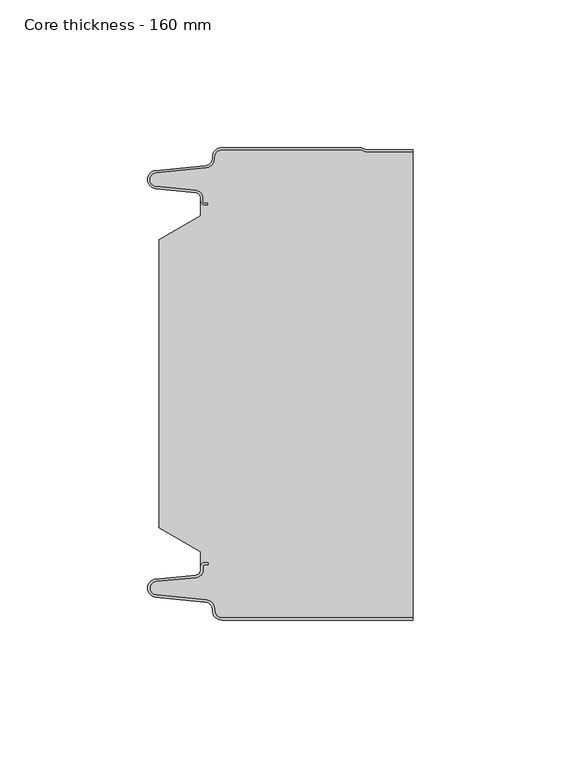
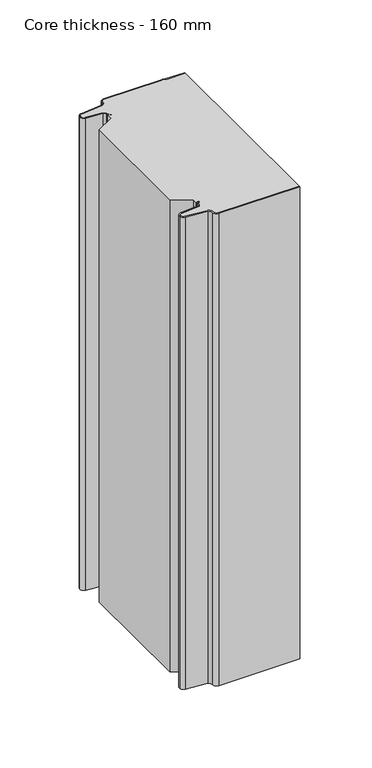
"""IFC4 building model written with IfcOpenShell, lengths in millimetres: plate geometry, Core thickness - 160 mm."""

from ifc_helpers import new_model, si_unit, frame, origin, place, context, project, spatial, polyline, circle_curve, source, transform, mapped, element, save
from ifc_brep_helpers import plane_surface, cylinder_surface, revolved_surface, advanced_brep


def core_thickness_160_mm_c370c4d5(model_context):
    return source(origin(), model_context, "Body", "AdvancedBrep", [
        advanced_brep(
        [(-19.8000003, -159.9996949, 0.0), (-22.9923632, -156.5787437, 0.0), (-25.2560431, -153.9171154, 0.0), (-42.2115315, -152.2546153, 0.0), (-44.9999998, -149.1776715, 0.0), (-42.2115315, -146.1007278, 0.0), (-28.6195785, -144.7680252, 0.0), (-26.9952277, -142.9766159, 0.0), (-26.9952277, -141.8996949, 0.0), (-25.5952277, -140.4996949, 0.0), (-24.4952277, -140.4996949, 0.0), (-24.4952277, -141.2996949, 0.0), (-25.5952277, -141.2996949, 0.0), (-26.1952277, -141.8996949, 0.0), (-26.1952277, -142.9766159, 0.0), (-28.5415122, -145.5642071, 0.0), (-42.1334652, -146.8969097, 0.0), (-44.1999997, -149.1776715, 0.0), (-42.1334652, -151.4584333, 0.0), (-25.1779767, -153.1209335, 0.0), (-22.2078761, -156.6330399, 0.0), (-19.8000003, -159.1996949, 0.0), (44.9999998, -159.2, 0.0), (44.9999998, -159.9996949, 0.0), (-19.8000003, -159.1996949, 400.0), (-22.1942724, -156.6339815, 400.0), (-25.1779767, -153.1209335, 400.0), (-42.1334652, -151.4584333, 400.0), (-44.1999997, -149.1776715, 400.0), (-42.1334652, -146.8969097, 400.0), (-28.5415122, -145.5642071, 400.0), (-26.1952277, -142.9766159, 400.0), (-26.1952277, -141.8996949, 400.0), (-25.5952277, -141.2996949, 400.0), (-24.4952277, -141.2996949, 400.0), (-24.4952277, -140.4996949, 400.0), (-25.5952277, -140.4996949, 400.0), (-26.9952277, -141.8996949, 400.0), (-26.9952277, -142.9766159, 400.0), (-28.6195785, -144.7680252, 400.0), (-42.2115315, -146.1007278, 400.0), (-44.9999998, -149.1776715, 400.0), (-42.2115315, -152.2546153, 400.0), (-25.2560431, -153.9171154, 400.0), (-23.0059668, -156.5778021, 400.0), (-19.8000003, -159.9996949, 400.0), (44.9999998, -159.9996949, 400.0), (44.9999998, -159.2, 400.0)],
        [
            (0, 1, circle_curve(frame((-19.8000003, -156.7996949, 0.0), z_axis=(0.0, 0.0, -1.0), x_axis=(1.0, 0.0, 0.0)), 3.2)),
            (1, 2, circle_curve(frame((-25.5000003, -156.4051839, 0.0), z_axis=(0.0, 0.0, 1.0), x_axis=(1.0, 0.0, 0.0)), 2.5)),
            (2, 3),
            (3, 4, circle_curve(frame((-41.9100003, -149.1793626, 0.0), z_axis=(0.0, 0.0, -1.0), x_axis=(1.0, 0.0, 0.0)), 3.09)),
            (4, 5, circle_curve(frame((-41.9100003, -149.1759805, 0.0), z_axis=(0.0, 0.0, -1.0), x_axis=(1.0, 0.0, 0.0)), 3.09)),
            (5, 6),
            (6, 7, circle_curve(frame((-28.7952277, -142.9766159, 0.0), z_axis=(0.0, 0.0, 1.0), x_axis=(1.0, 0.0, 0.0)), 1.8)),
            (7, 8),
            (8, 9, circle_curve(frame((-25.5952277, -141.8996949, 0.0), z_axis=(0.0, 0.0, -1.0), x_axis=(1.0, 0.0, 0.0)), 1.4)),
            (9, 10),
            (10, 11),
            (11, 12),
            (12, 13, circle_curve(frame((-25.5952277, -141.8996949, 0.0), z_axis=(0.0, 0.0, 1.0), x_axis=(1.0, 0.0, 0.0)), 0.6)),
            (13, 14),
            (14, 15, circle_curve(frame((-28.7952277, -142.9766159, 0.0), z_axis=(0.0, 0.0, -1.0), x_axis=(1.0, 0.0, 0.0)), 2.6)),
            (15, 16),
            (16, 17, circle_curve(frame((-41.9100003, -149.1759805, 0.0), z_axis=(0.0, 0.0, 1.0), x_axis=(1.0, 0.0, 0.0)), 2.29)),
            (17, 18, circle_curve(frame((-41.9100003, -149.1793626, 0.0), z_axis=(0.0, 0.0, 1.0), x_axis=(1.0, 0.0, 0.0)), 2.29)),
            (18, 19),
            (19, 20, circle_curve(frame((-25.5000003, -156.4051839, 0.0), z_axis=(0.0, 0.0, -1.0), x_axis=(1.0, 0.0, 0.0)), 3.3)),
            (20, 21, circle_curve(frame((-19.8000003, -156.7996949, 0.0), z_axis=(0.0, 0.0, 1.0), x_axis=(1.0, 0.0, 0.0)), 2.4)),
            (21, 22),
            (22, 23),
            (23, 0),
            (24, 25, circle_curve(frame((-19.8000003, -156.7996949, 400.0), z_axis=(0.0, 0.0, -1.0), x_axis=(1.0, 0.0, 0.0)), 2.4)),
            (25, 26, circle_curve(frame((-25.5000003, -156.4051839, 400.0), z_axis=(0.0, 0.0, 1.0), x_axis=(1.0, 0.0, 0.0)), 3.3)),
            (26, 27),
            (27, 28, circle_curve(frame((-41.9100003, -149.1793626, 400.0), z_axis=(0.0, 0.0, -1.0), x_axis=(1.0, 0.0, 0.0)), 2.29)),
            (28, 29, circle_curve(frame((-41.9100003, -149.1759805, 400.0), z_axis=(0.0, 0.0, -1.0), x_axis=(1.0, 0.0, 0.0)), 2.29)),
            (29, 30),
            (30, 31, circle_curve(frame((-28.7952277, -142.9766159, 400.0), z_axis=(0.0, 0.0, 1.0), x_axis=(1.0, 0.0, 0.0)), 2.6)),
            (31, 32),
            (32, 33, circle_curve(frame((-25.5952277, -141.8996949, 400.0), z_axis=(0.0, 0.0, -1.0), x_axis=(1.0, 0.0, 0.0)), 0.6)),
            (33, 34),
            (34, 35),
            (35, 36),
            (36, 37, circle_curve(frame((-25.5952277, -141.8996949, 400.0), z_axis=(0.0, 0.0, 1.0), x_axis=(1.0, 0.0, 0.0)), 1.4)),
            (37, 38),
            (38, 39, circle_curve(frame((-28.7952277, -142.9766159, 400.0), z_axis=(0.0, 0.0, -1.0), x_axis=(1.0, 0.0, 0.0)), 1.8)),
            (39, 40),
            (40, 41, circle_curve(frame((-41.9100003, -149.1759805, 400.0), z_axis=(0.0, 0.0, 1.0), x_axis=(1.0, 0.0, 0.0)), 3.09)),
            (41, 42, circle_curve(frame((-41.9100003, -149.1793626, 400.0), z_axis=(0.0, 0.0, 1.0), x_axis=(1.0, 0.0, 0.0)), 3.09)),
            (42, 43),
            (43, 44, circle_curve(frame((-25.5000003, -156.4051839, 400.0), z_axis=(0.0, 0.0, -1.0), x_axis=(1.0, 0.0, 0.0)), 2.5)),
            (44, 45, circle_curve(frame((-19.8000003, -156.7996949, 400.0), z_axis=(0.0, 0.0, 1.0), x_axis=(1.0, 0.0, 0.0)), 3.2)),
            (45, 46),
            (46, 47),
            (47, 24),
            (21, 24),
            (47, 22),
            (20, 25),
            (19, 26),
            (18, 27),
            (17, 28),
            (16, 29),
            (15, 30),
            (14, 31),
            (13, 32),
            (12, 33),
            (11, 34),
            (10, 35),
            (9, 36),
            (8, 37),
            (7, 38),
            (6, 39),
            (5, 40),
            (4, 41),
            (3, 42),
            (2, 43),
            (1, 44),
            (0, 45),
            (23, 46),
        ],
        [
            plane_surface(frame((-44.9999998, -160.0, 0.0), z_axis=(0.0, 0.0, -1.0), x_axis=(0.0, 1.0, 0.0))),
            plane_surface(frame((-44.9999998, -160.0, 400.0), z_axis=(0.0, 0.0, 1.0), x_axis=(0.0, 1.0, 0.0))),
            plane_surface(frame((-19.8000003, -159.2, 0.0), z_axis=(0.0, 1.0, 0.0), x_axis=(0.0, 0.0, 1.0))),
            revolved_surface(polyline([(-17.400000300000002, -156.7996949, 400.0), (-17.400000300000002, -156.7996949, 0.0)]), (-19.8000003, -156.7996949, 0.0), (0.0, 0.0, 1.0)),
            cylinder_surface(frame((-25.5000003, -156.4051839, 0.0), z_axis=(0.0, 0.0, -1.0), x_axis=(1.0, 0.0, 0.0)), 3.3),
            plane_surface(frame((-42.1334652, -151.4584333, 0.0), z_axis=(0.09758289975914758, 0.9952273999818314, 0.0), x_axis=(0.0, 0.0, 1.0))),
            revolved_surface(polyline([(-39.6200003, -149.1793626, 400.0), (-39.6200003, -149.1793626, 0.0)]), (-41.9100003, -149.1793626, 0.0), (0.0, 0.0, 1.0)),
            revolved_surface(polyline([(-39.6200003, -149.1759805, 400.0), (-39.6200003, -149.1759805, 0.0)]), (-41.9100003, -149.1759805, 0.0), (0.0, 0.0, 1.0)),
            plane_surface(frame((-28.5415122, -145.5642071, 0.0), z_axis=(0.09758289975914383, -0.9952273999818317, 0.0), x_axis=(0.0, 0.0, 1.0))),
            cylinder_surface(frame((-28.7952277, -142.9766159, 0.0), z_axis=(0.0, 0.0, -1.0), x_axis=(1.0, 0.0, 0.0)), 2.6),
            plane_surface(frame((-26.1952277, -141.8996949, 0.0), z_axis=(1.0, 0.0, 0.0), x_axis=(0.0, 0.0, 1.0))),
            revolved_surface(polyline([(-24.995227699999997, -141.8996949, 400.0), (-24.995227699999997, -141.8996949, 0.0)]), (-25.5952277, -141.8996949, 0.0), (0.0, 0.0, 1.0)),
            plane_surface(frame((-24.4952277, -141.2996949, 0.0), z_axis=(0.0, -1.0, 0.0), x_axis=(0.0, 0.0, 1.0))),
            plane_surface(frame((-24.4952277, -140.4996949, 0.0), z_axis=(1.0, 0.0, 0.0), x_axis=(0.0, 0.0, 1.0))),
            plane_surface(frame((-25.5952277, -140.4996949, 0.0), z_axis=(0.0, 1.0, 0.0), x_axis=(0.0, 0.0, 1.0))),
            cylinder_surface(frame((-25.5952277, -141.8996949, 0.0), z_axis=(0.0, 0.0, -1.0), x_axis=(1.0, 0.0, 0.0)), 1.4),
            plane_surface(frame((-26.9952277, -142.9766159, 0.0), z_axis=(-1.0, 0.0, 0.0), x_axis=(0.0, 0.0, 1.0))),
            revolved_surface(polyline([(-26.9952277, -142.9766159, 400.0), (-26.9952277, -142.9766159, 0.0)]), (-28.7952277, -142.9766159, 0.0), (0.0, 0.0, 1.0)),
            plane_surface(frame((-42.2115315, -146.1007278, 0.0), z_axis=(-0.09758289975914387, 0.9952273999818317, 0.0), x_axis=(0.0, 0.0, 1.0))),
            cylinder_surface(frame((-41.9100003, -149.1759805, 0.0), z_axis=(0.0, 0.0, -1.0), x_axis=(1.0, 0.0, 0.0)), 3.09),
            cylinder_surface(frame((-41.9100003, -149.1793626, 0.0), z_axis=(0.0, 0.0, -1.0), x_axis=(1.0, 0.0, 0.0)), 3.09),
            plane_surface(frame((-25.2560431, -153.9171154, 0.0), z_axis=(-0.09758289975914762, -0.9952273999818314, 0.0), x_axis=(0.0, 0.0, 1.0))),
            revolved_surface(polyline([(-23.0000003, -156.4051839, 400.0), (-23.0000003, -156.4051839, 0.0)]), (-25.5000003, -156.4051839, 0.0), (0.0, 0.0, 1.0)),
            cylinder_surface(frame((-19.8000003, -156.7996949, 0.0), z_axis=(0.0, 0.0, -1.0), x_axis=(1.0, 0.0, 0.0)), 3.2),
            plane_surface(frame((1121.009932, -159.9996949, 0.0), z_axis=(0.0, -1.0, 0.0), x_axis=(0.0, 0.0, 1.0))),
            plane_surface(frame((44.9999998, 180.0, 400.0), z_axis=(1.0, 0.0, 0.0), x_axis=(0.0, 0.0, -1.0))),
        ],
        [
            (0, [[1, 2, 3, 4, 5, 6, 7, 8, 9, 10, 11, 12, 13, 14, 15, 16, 17, 18, 19, 20, 21, 22, 23, 24]]),
            (1, [[25, 26, 27, 28, 29, 30, 31, 32, 33, 34, 35, 36, 37, 38, 39, 40, 41, 42, 43, 44, 45, 46, 47, 48]]),
            (2, [[49, -48, 50, -22]]),
            (3, [[-21, 51, -25, -49]]),
            (4, [[-20, 52, -26, -51]]),
            (5, [[-19, 53, -27, -52]]),
            (6, [[-18, 54, -28, -53]]),
            (7, [[-17, 55, -29, -54]]),
            (8, [[-16, 56, -30, -55]]),
            (9, [[-15, 57, -31, -56]]),
            (10, [[-14, 58, -32, -57]]),
            (11, [[-13, 59, -33, -58]]),
            (12, [[-12, 60, -34, -59]]),
            (13, [[-11, 61, -35, -60]]),
            (14, [[-10, 62, -36, -61]]),
            (15, [[-9, 63, -37, -62]]),
            (16, [[-8, 64, -38, -63]]),
            (17, [[-7, 65, -39, -64]]),
            (18, [[-6, 66, -40, -65]]),
            (19, [[-5, 67, -41, -66]]),
            (20, [[-4, 68, -42, -67]]),
            (21, [[-3, 69, -43, -68]]),
            (22, [[-2, 70, -44, -69]]),
            (23, [[-1, 71, -45, -70]]),
            (24, [[-71, -24, 72, -46]]),
            (25, [[-23, -50, -47, -72]]),
        ],
    ),
        advanced_brep(
        [(-26.9952277, -23.1062917, 400.0), (-41.0446509, -31.1628062, 400.0), (-41.0446509, -128.7531937, 400.0), (-26.9952277, -136.8937083, 400.0), (-26.9952277, -140.4996949, 400.0), (-26.9952277, -141.8996949, 400.0), (-25.5952277, -140.4996949, 400.0), (-24.4952277, -140.4996949, 400.0), (-24.4952277, -141.2996949, 400.0), (-25.5952277, -141.2996949, 400.0), (-26.1952277, -141.8996949, 400.0), (-26.1952277, -142.9766159, 400.0), (-28.5415122, -145.5642071, 400.0), (-42.1334652, -146.8969097, 400.0), (-44.1999997, -149.1776715, 400.0), (-42.1334652, -151.4584333, 400.0), (-25.1779767, -153.1209335, 400.0), (-22.2078761, -156.6330399, 400.0), (-19.8000003, -159.1996949, 400.0), (44.9999998, -159.2, 400.0), (44.9999998, -1.5003051, 400.0), (29.4172165, -1.5003051, 400.0), (27.9978051, -1.0971009, 400.0), (26.9454197, -0.8, 400.0), (-19.8000003, -0.8, 400.0), (-22.1942724, -3.3660185, 400.0), (-25.1779767, -6.8790665, 400.0), (-42.1334652, -8.5415667, 400.0), (-44.1999997, -10.8223285, 400.0), (-42.1334652, -13.1030903, 400.0), (-28.5415122, -14.4357929, 400.0), (-26.1952277, -17.0233841, 400.0), (-26.1952277, -18.1003051, 400.0), (-25.5952277, -18.7003051, 400.0), (-24.4952277, -18.7003051, 400.0), (-24.4952277, -19.5003051, 400.0), (-25.5952277, -19.5003051, 400.0), (-26.9952277, -18.1003051, 400.0), (-26.9952277, -19.5003051, 400.0), (-26.9952277, -136.8937083, 0.0), (-41.0446509, -128.7531937, 0.0), (-41.0446509, -31.1628062, 0.0), (-26.9952277, -23.1062917, 0.0), (-26.9952277, -19.5003051, 0.0), (-26.9952277, -18.1003051, 0.0), (-25.5952277, -19.5003051, 0.0), (-24.4952277, -19.5003051, 0.0), (-24.4952277, -18.7003051, 0.0), (-25.5952277, -18.7003051, 0.0), (-26.1952277, -18.1003051, 0.0), (-26.1952277, -17.0233841, 0.0), (-28.5415122, -14.4357929, 0.0), (-42.1334652, -13.1030903, 0.0), (-44.1999997, -10.8223285, 0.0), (-42.1334652, -8.5415667, 0.0), (-25.1779767, -6.8790665, 0.0), (-22.2078761, -3.3669601, 0.0), (-19.8000003, -0.8003051, 0.0), (26.9454197, -0.8, 0.0), (27.9968355, -1.0986697, 0.0), (29.4172165, -1.5003051, 0.0), (44.9999998, -1.5003051, 0.0), (44.9999998, -159.2, 0.0), (-19.8000003, -159.2, 0.0), (-22.1942724, -156.6339815, 0.0), (-25.1779767, -153.1209335, 0.0), (-42.1334652, -151.4584333, 0.0), (-44.1999997, -149.1776715, 0.0), (-42.1334652, -146.8969097, 0.0), (-28.5415122, -145.5642071, 0.0), (-26.1952277, -142.9766159, 0.0), (-26.1952277, -141.8996949, 0.0), (-25.5952277, -141.2996949, 0.0), (-24.4952277, -141.2996949, 0.0), (-24.4952277, -140.4996949, 0.0), (-25.5952277, -140.4996949, 0.0), (-26.9952277, -141.8996949, 0.0), (-26.9952277, -140.4996949, 0.0)],
        [
            (0, 1),
            (1, 2),
            (2, 3),
            (3, 4),
            (4, 5),
            (5, 6, circle_curve(frame((-25.5952277, -141.8996949, 400.0), z_axis=(0.0, 0.0, -1.0), x_axis=(1.0, 0.0, 0.0)), 1.4)),
            (6, 7),
            (7, 8),
            (8, 9),
            (9, 10, circle_curve(frame((-25.5952277, -141.8996949, 400.0), z_axis=(0.0, 0.0, 1.0), x_axis=(1.0, 0.0, 0.0)), 0.6)),
            (10, 11),
            (11, 12, circle_curve(frame((-28.7952277, -142.9766159, 400.0), z_axis=(0.0, 0.0, -1.0), x_axis=(1.0, 0.0, 0.0)), 2.6)),
            (12, 13),
            (13, 14, circle_curve(frame((-41.9100003, -149.1759805, 400.0), z_axis=(0.0, 0.0, 1.0), x_axis=(1.0, 0.0, 0.0)), 2.29)),
            (14, 15, circle_curve(frame((-41.9100003, -149.1793626, 400.0), z_axis=(0.0, 0.0, 1.0), x_axis=(1.0, 0.0, 0.0)), 2.29)),
            (15, 16),
            (16, 17, circle_curve(frame((-25.5000003, -156.4051839, 400.0), z_axis=(0.0, 0.0, -1.0), x_axis=(1.0, 0.0, 0.0)), 3.3)),
            (17, 18, circle_curve(frame((-19.8000003, -156.7996949, 400.0), z_axis=(0.0, 0.0, 1.0), x_axis=(1.0, 0.0, 0.0)), 2.4)),
            (18, 19),
            (19, 20),
            (20, 21),
            (21, 22, circle_curve(frame((29.4172165, 1.1996949, 400.0), z_axis=(0.0, 0.0, -1.0), x_axis=(1.0, 0.0, 0.0)), 2.7)),
            (22, 23, circle_curve(frame((26.9454197, -2.8, 400.0), z_axis=(0.0, 0.0, 1.0), x_axis=(1.0, 0.0, 0.0)), 2.0)),
            (23, 24),
            (24, 25, circle_curve(frame((-19.8000003, -3.2003051, 400.0), z_axis=(0.0, 0.0, 1.0), x_axis=(1.0, 0.0, 0.0)), 2.4)),
            (25, 26, circle_curve(frame((-25.5000003, -3.5948161, 400.0), z_axis=(0.0, 0.0, -1.0), x_axis=(1.0, 0.0, 0.0)), 3.3)),
            (26, 27),
            (27, 28, circle_curve(frame((-41.9100003, -10.8206374, 400.0), z_axis=(0.0, 0.0, 1.0), x_axis=(1.0, 0.0, 0.0)), 2.29)),
            (28, 29, circle_curve(frame((-41.9100003, -10.8240195, 400.0), z_axis=(0.0, 0.0, 1.0), x_axis=(1.0, 0.0, 0.0)), 2.29)),
            (29, 30),
            (30, 31, circle_curve(frame((-28.7952277, -17.0233841, 400.0), z_axis=(0.0, 0.0, -1.0), x_axis=(1.0, 0.0, 0.0)), 2.6)),
            (31, 32),
            (32, 33, circle_curve(frame((-25.5952277, -18.1003051, 400.0), z_axis=(0.0, 0.0, 1.0), x_axis=(1.0, 0.0, 0.0)), 0.6)),
            (33, 34),
            (34, 35),
            (35, 36),
            (36, 37, circle_curve(frame((-25.5952277, -18.1003051, 400.0), z_axis=(0.0, 0.0, -1.0), x_axis=(1.0, 0.0, 0.0)), 1.4)),
            (37, 38),
            (38, 0),
            (39, 40),
            (40, 41),
            (41, 42),
            (42, 43),
            (43, 44),
            (44, 45, circle_curve(frame((-25.5952277, -18.1003051, 0.0), z_axis=(0.0, 0.0, 1.0), x_axis=(1.0, 0.0, 0.0)), 1.4)),
            (45, 46),
            (46, 47),
            (47, 48),
            (48, 49, circle_curve(frame((-25.5952277, -18.1003051, 0.0), z_axis=(0.0, 0.0, -1.0), x_axis=(1.0, 0.0, 0.0)), 0.6)),
            (49, 50),
            (50, 51, circle_curve(frame((-28.7952277, -17.0233841, 0.0), z_axis=(0.0, 0.0, 1.0), x_axis=(1.0, 0.0, 0.0)), 2.6)),
            (51, 52),
            (52, 53, circle_curve(frame((-41.9100003, -10.8240195, 0.0), z_axis=(0.0, 0.0, -1.0), x_axis=(1.0, 0.0, 0.0)), 2.29)),
            (53, 54, circle_curve(frame((-41.9100003, -10.8206374, 0.0), z_axis=(0.0, 0.0, -1.0), x_axis=(1.0, 0.0, 0.0)), 2.29)),
            (54, 55),
            (55, 56, circle_curve(frame((-25.5000003, -3.5948161, 0.0), z_axis=(0.0, 0.0, 1.0), x_axis=(1.0, 0.0, 0.0)), 3.3)),
            (56, 57, circle_curve(frame((-19.8000003, -3.2003051, 0.0), z_axis=(0.0, 0.0, -1.0), x_axis=(1.0, 0.0, 0.0)), 2.4)),
            (57, 58),
            (58, 59, circle_curve(frame((26.9454197, -2.8, 0.0), z_axis=(0.0, 0.0, -1.0), x_axis=(1.0, 0.0, 0.0)), 2.0)),
            (59, 60, circle_curve(frame((29.4172165, 1.1996949, 0.0), z_axis=(0.0, 0.0, 1.0), x_axis=(1.0, 0.0, 0.0)), 2.7)),
            (60, 61),
            (61, 62),
            (62, 63),
            (63, 64, circle_curve(frame((-19.8000003, -156.7996949, 0.0), z_axis=(0.0, 0.0, -1.0), x_axis=(1.0, 0.0, 0.0)), 2.4)),
            (64, 65, circle_curve(frame((-25.5000003, -156.4051839, 0.0), z_axis=(0.0, 0.0, 1.0), x_axis=(1.0, 0.0, 0.0)), 3.3)),
            (65, 66),
            (66, 67, circle_curve(frame((-41.9100003, -149.1793626, 0.0), z_axis=(0.0, 0.0, -1.0), x_axis=(1.0, 0.0, 0.0)), 2.29)),
            (67, 68, circle_curve(frame((-41.9100003, -149.1759805, 0.0), z_axis=(0.0, 0.0, -1.0), x_axis=(1.0, 0.0, 0.0)), 2.29)),
            (68, 69),
            (69, 70, circle_curve(frame((-28.7952277, -142.9766159, 0.0), z_axis=(0.0, 0.0, 1.0), x_axis=(1.0, 0.0, 0.0)), 2.6)),
            (70, 71),
            (71, 72, circle_curve(frame((-25.5952277, -141.8996949, 0.0), z_axis=(0.0, 0.0, -1.0), x_axis=(1.0, 0.0, 0.0)), 0.6)),
            (72, 73),
            (73, 74),
            (74, 75),
            (75, 76, circle_curve(frame((-25.5952277, -141.8996949, 0.0), z_axis=(0.0, 0.0, 1.0), x_axis=(1.0, 0.0, 0.0)), 1.4)),
            (76, 77),
            (77, 39),
            (42, 0),
            (37, 44),
            (1, 41),
            (40, 2),
            (39, 3),
            (76, 5),
            (18, 63),
            (62, 19),
            (17, 64),
            (16, 65),
            (15, 66),
            (14, 67),
            (13, 68),
            (12, 69),
            (11, 70),
            (10, 71),
            (9, 72),
            (8, 73),
            (7, 74),
            (6, 75),
            (57, 24),
            (23, 58),
            (22, 59),
            (21, 60),
            (20, 61),
            (36, 45),
            (35, 46),
            (34, 47),
            (33, 48),
            (32, 49),
            (31, 50),
            (30, 51),
            (29, 52),
            (28, 53),
            (27, 54),
            (26, 55),
            (25, 56),
        ],
        [
            plane_surface(frame((-44.9999998, 0.0, 400.0), z_axis=(0.0, 0.0, 1.0), x_axis=(0.0, -1.0, 0.0))),
            plane_surface(frame((-44.9999998, 0.0, 0.0), z_axis=(0.0, 0.0, -1.0), x_axis=(0.0, -1.0, 0.0))),
            plane_surface(frame((-26.9952277, -17.0229218, 400.0), z_axis=(-1.0, 0.0, 0.0), x_axis=(0.0, 0.0, -1.0))),
            plane_surface(frame((-41.0446509, -31.1628062, 400.0), z_axis=(-1.0, 0.0, 0.0), x_axis=(0.0, 0.0, -1.0))),
            plane_surface(frame((-26.9952277, -23.1062917, 400.0), z_axis=(-0.4974543664933155, 0.8674901459133322, 0.0), x_axis=(0.0, 0.0, -1.0))),
            plane_surface(frame((-41.0446509, -128.7531937, 400.0), z_axis=(-0.5013424225369607, -0.8652489672717164, 0.0), x_axis=(0.0, 0.0, -1.0))),
            plane_surface(frame((-26.9952277, -136.8937083, 400.0), z_axis=(-1.0, 0.0, 0.0), x_axis=(0.0, 0.0, -1.0))),
            plane_surface(frame((1121.009932, -159.2, 530.0), z_axis=(0.0, -1.0, 0.0), x_axis=(0.0, 0.0, -1.0))),
            cylinder_surface(frame((-19.8000003, -156.7996949, 530.0), z_axis=(0.0, 0.0, -1.0), x_axis=(1.0, 0.0, 0.0)), 2.4),
            revolved_surface(polyline([(-22.2000003, -156.4051839, 400.0), (-22.2000003, -156.4051839, 0.0)]), (-25.5000003, -156.4051839, 530.0), (0.0, 0.0, 1.0)),
            plane_surface(frame((-25.1779767, -153.1209335, 530.0), z_axis=(-0.09758289975914758, -0.9952273999818314, 0.0), x_axis=(0.0, 0.0, -1.0))),
            cylinder_surface(frame((-41.9100003, -149.1793626, 530.0), z_axis=(0.0, 0.0, -1.0), x_axis=(1.0, 0.0, 0.0)), 2.29),
            cylinder_surface(frame((-41.9100003, -149.1759805, 530.0), z_axis=(0.0, 0.0, -1.0), x_axis=(1.0, 0.0, 0.0)), 2.29),
            plane_surface(frame((-42.1334652, -146.8969097, 530.0), z_axis=(-0.09758289975914383, 0.9952273999818317, 0.0), x_axis=(0.0, 0.0, -1.0))),
            revolved_surface(polyline([(-26.1952277, -142.9766159, 400.0), (-26.1952277, -142.9766159, 0.0)]), (-28.7952277, -142.9766159, 530.0), (0.0, 0.0, 1.0)),
            plane_surface(frame((-26.1952277, -142.9766159, 530.0), z_axis=(-1.0, 0.0, 0.0), x_axis=(0.0, 0.0, -1.0))),
            cylinder_surface(frame((-25.5952277, -141.8996949, 530.0), z_axis=(0.0, 0.0, -1.0), x_axis=(1.0, 0.0, 0.0)), 0.6),
            plane_surface(frame((-25.5952277, -141.2996949, 530.0), z_axis=(0.0, 1.0, 0.0), x_axis=(0.0, 0.0, -1.0))),
            plane_surface(frame((-24.4952277, -141.2996949, 530.0), z_axis=(-1.0, 0.0, 0.0), x_axis=(0.0, 0.0, -1.0))),
            plane_surface(frame((-24.4952277, -140.4996949, 530.0), z_axis=(0.0, -1.0, 0.0), x_axis=(0.0, 0.0, -1.0))),
            revolved_surface(polyline([(-24.1952277, -141.8996949, 400.0), (-24.1952277, -141.8996949, 0.0)]), (-25.5952277, -141.8996949, 530.0), (0.0, 0.0, 1.0)),
            plane_surface(frame((-19.8000003, -0.8, 530.0), z_axis=(0.0, 1.0, 0.0), x_axis=(0.0, 0.0, -1.0))),
            cylinder_surface(frame((26.9454197, -2.8, 530.0), z_axis=(0.0, 0.0, -1.0), x_axis=(1.0, 0.0, 0.0)), 2.0),
            revolved_surface(polyline([(32.1172165, 1.1996949, 400.0), (32.1172165, 1.1996949, 0.0)]), (29.4172165, 1.1996949, 530.0), (0.0, 0.0, 1.0)),
            plane_surface(frame((29.4172165, -1.5003051, 530.0), z_axis=(0.0, 1.0, 0.0), x_axis=(0.0, 0.0, -1.0))),
            revolved_surface(polyline([(-24.1952277, -18.1003051, 400.0), (-24.1952277, -18.1003051, 0.0)]), (-25.5952277, -18.1003051, 530.0), (0.0, 0.0, 1.0)),
            plane_surface(frame((-25.5952277, -19.5003051, 530.0), z_axis=(0.0, 1.0, 0.0), x_axis=(0.0, 0.0, -1.0))),
            plane_surface(frame((-24.4952277, -19.5003051, 530.0), z_axis=(-1.0, 0.0, 0.0), x_axis=(0.0, 0.0, -1.0))),
            plane_surface(frame((-24.4952277, -18.7003051, 530.0), z_axis=(0.0, -1.0, 0.0), x_axis=(0.0, 0.0, -1.0))),
            cylinder_surface(frame((-25.5952277, -18.1003051, 530.0), z_axis=(0.0, 0.0, -1.0), x_axis=(1.0, 0.0, 0.0)), 0.6),
            plane_surface(frame((-26.1952277, -18.1003051, 530.0), z_axis=(-1.0, 0.0, 0.0), x_axis=(0.0, 0.0, -1.0))),
            revolved_surface(polyline([(-26.1952277, -17.0233841, 400.0), (-26.1952277, -17.0233841, 0.0)]), (-28.7952277, -17.0233841, 530.0), (0.0, 0.0, 1.0)),
            plane_surface(frame((-28.5415122, -14.4357929, 530.0), z_axis=(-0.09758289975914705, -0.9952273999818314, 0.0), x_axis=(0.0, 0.0, -1.0))),
            cylinder_surface(frame((-41.9100003, -10.8240195, 530.0), z_axis=(0.0, 0.0, -1.0), x_axis=(1.0, 0.0, 0.0)), 2.29),
            cylinder_surface(frame((-41.9100003, -10.8206374, 530.0), z_axis=(0.0, 0.0, -1.0), x_axis=(1.0, 0.0, 0.0)), 2.29),
            plane_surface(frame((-42.1334652, -8.5415667, 530.0), z_axis=(-0.09758289975914436, 0.9952273999818317, 0.0), x_axis=(0.0, 0.0, -1.0))),
            revolved_surface(polyline([(-22.2000003, -3.5948161, 400.0), (-22.2000003, -3.5948161, 0.0)]), (-25.5000003, -3.5948161, 530.0), (0.0, 0.0, 1.0)),
            cylinder_surface(frame((-19.8000003, -3.2003051, 530.0), z_axis=(0.0, 0.0, -1.0), x_axis=(1.0, 0.0, 0.0)), 2.4),
            plane_surface(frame((44.9999998, 180.0, 400.0), z_axis=(1.0, 0.0, 0.0), x_axis=(0.0, 0.0, -1.0))),
        ],
        [
            (0, [[1, 2, 3, 4, 5, 6, 7, 8, 9, 10, 11, 12, 13, 14, 15, 16, 17, 18, 19, 20, 21, 22, 23, 24, 25, 26, 27, 28, 29, 30, 31, 32, 33, 34, 35, 36, 37, 38, 39]]),
            (1, [[40, 41, 42, 43, 44, 45, 46, 47, 48, 49, 50, 51, 52, 53, 54, 55, 56, 57, 58, 59, 60, 61, 62, 63, 64, 65, 66, 67, 68, 69, 70, 71, 72, 73, 74, 75, 76, 77, 78]]),
            (2, [[79, -39, -38, 80, -44, -43]]),
            (3, [[-2, 81, -41, 82]]),
            (4, [[-1, -79, -42, -81]]),
            (5, [[-3, -82, -40, 83]]),
            (6, [[-83, -78, -77, 84, -5, -4]]),
            (7, [[85, -63, 86, -19]]),
            (8, [[-85, -18, 87, -64]]),
            (9, [[-87, -17, 88, -65]]),
            (10, [[-88, -16, 89, -66]]),
            (11, [[-89, -15, 90, -67]]),
            (12, [[-90, -14, 91, -68]]),
            (13, [[-91, -13, 92, -69]]),
            (14, [[-92, -12, 93, -70]]),
            (15, [[-93, -11, 94, -71]]),
            (16, [[-94, -10, 95, -72]]),
            (17, [[-95, -9, 96, -73]]),
            (18, [[-96, -8, 97, -74]]),
            (19, [[-97, -7, 98, -75]]),
            (20, [[-98, -6, -84, -76]]),
            (21, [[99, -24, 100, -58]]),
            (22, [[-100, -23, 101, -59]]),
            (23, [[-101, -22, 102, -60]]),
            (24, [[-102, -21, 103, -61]]),
            (25, [[104, -45, -80, -37]]),
            (26, [[-104, -36, 105, -46]]),
            (27, [[-105, -35, 106, -47]]),
            (28, [[-106, -34, 107, -48]]),
            (29, [[-107, -33, 108, -49]]),
            (30, [[-108, -32, 109, -50]]),
            (31, [[-109, -31, 110, -51]]),
            (32, [[-110, -30, 111, -52]]),
            (33, [[-111, -29, 112, -53]]),
            (34, [[-112, -28, 113, -54]]),
            (35, [[-113, -27, 114, -55]]),
            (36, [[-114, -26, 115, -56]]),
            (37, [[-99, -57, -115, -25]]),
            (38, [[-86, -62, -103, -20]]),
        ],
    ),
        advanced_brep(
        [(27.9968355, -1.0986697, 0.0), (26.9454197, -0.8, 0.0), (-19.8000003, -0.8, 0.0), (-22.1942724, -3.3660185, 0.0), (-25.1779767, -6.8790665, 0.0), (-42.1334652, -8.5415667, 0.0), (-44.1999997, -10.8223285, 0.0), (-42.1334652, -13.1030903, 0.0), (-28.5415122, -14.4357929, 0.0), (-26.1952277, -17.0233841, 0.0), (-26.1952277, -18.1003051, 0.0), (-25.5952277, -18.7003051, 0.0), (-24.4952277, -18.7003051, 0.0), (-24.4952277, -19.5003051, 0.0), (-25.5952277, -19.5003051, 0.0), (-26.9952277, -18.1003051, 0.0), (-26.9952277, -17.0233841, 0.0), (-28.6195785, -15.2319748, 0.0), (-42.2115315, -13.8992722, 0.0), (-44.9999998, -10.8223285, 0.0), (-42.2115315, -7.7453847, 0.0), (-25.2560431, -6.0828846, 0.0), (-23.0059668, -3.4221979, 0.0), (-19.8000003, -0.0003051, 0.0), (26.9454197, -0.0003051, 0.0), (28.3647528, -0.4034608, 0.0), (29.4172165, -0.7003051, 0.0), (44.9999998, -0.7003051, 0.0), (44.9999998, -1.5003051, 0.0), (29.4172165, -1.5003051, 0.0), (27.9978051, -1.0971009, 400.0), (29.4172165, -1.5003051, 400.0), (44.9999998, -1.5003051, 400.0), (44.9999998, -0.7003051, 400.0), (29.4172165, -0.7003051, 400.0), (28.3658586, -0.4016712, 400.0), (26.9454197, -0.0003051, 400.0), (-19.8000003, -0.0003051, 400.0), (-22.9923632, -3.4212563, 400.0), (-25.2560431, -6.0828846, 400.0), (-42.2115315, -7.7453847, 400.0), (-44.9999998, -10.8223285, 400.0), (-42.2115315, -13.8992722, 400.0), (-28.6195785, -15.2319748, 400.0), (-26.9952277, -17.0233841, 400.0), (-26.9952277, -18.1003051, 400.0), (-25.5952277, -19.5003051, 400.0), (-24.4952277, -19.5003051, 400.0), (-24.4952277, -18.7003051, 400.0), (-25.5952277, -18.7003051, 400.0), (-26.1952277, -18.1003051, 400.0), (-26.1952277, -17.0233841, 400.0), (-28.5415122, -14.4357929, 400.0), (-42.1334652, -13.1030903, 400.0), (-44.1999997, -10.8223285, 400.0), (-42.1334652, -8.5415667, 400.0), (-25.1779767, -6.8790665, 400.0), (-22.2078761, -3.3669601, 400.0), (-19.8000003, -0.8003051, 400.0), (26.9454197, -0.8, 400.0)],
        [
            (0, 1, circle_curve(frame((26.9454197, -2.8, 0.0), z_axis=(0.0, 0.0, 1.0), x_axis=(1.0, 0.0, 0.0)), 2.0)),
            (1, 2),
            (2, 3, circle_curve(frame((-19.8000003, -3.2003051, 0.0), z_axis=(0.0, 0.0, 1.0), x_axis=(1.0, 0.0, 0.0)), 2.4)),
            (3, 4, circle_curve(frame((-25.5000003, -3.5948161, 0.0), z_axis=(0.0, 0.0, -1.0), x_axis=(1.0, 0.0, 0.0)), 3.3)),
            (4, 5),
            (5, 6, circle_curve(frame((-41.9100003, -10.8206374, 0.0), z_axis=(0.0, 0.0, 1.0), x_axis=(1.0, 0.0, 0.0)), 2.29)),
            (6, 7, circle_curve(frame((-41.9100003, -10.8240195, 0.0), z_axis=(0.0, 0.0, 1.0), x_axis=(1.0, 0.0, 0.0)), 2.29)),
            (7, 8),
            (8, 9, circle_curve(frame((-28.7952277, -17.0233841, 0.0), z_axis=(0.0, 0.0, -1.0), x_axis=(1.0, 0.0, 0.0)), 2.6)),
            (9, 10),
            (10, 11, circle_curve(frame((-25.5952277, -18.1003051, 0.0), z_axis=(0.0, 0.0, 1.0), x_axis=(1.0, 0.0, 0.0)), 0.6)),
            (11, 12),
            (12, 13),
            (13, 14),
            (14, 15, circle_curve(frame((-25.5952277, -18.1003051, 0.0), z_axis=(0.0, 0.0, -1.0), x_axis=(1.0, 0.0, 0.0)), 1.4)),
            (15, 16),
            (16, 17, circle_curve(frame((-28.7952277, -17.0233841, 0.0), z_axis=(0.0, 0.0, 1.0), x_axis=(1.0, 0.0, 0.0)), 1.8)),
            (17, 18),
            (18, 19, circle_curve(frame((-41.9100003, -10.8240195, 0.0), z_axis=(0.0, 0.0, -1.0), x_axis=(1.0, 0.0, 0.0)), 3.09)),
            (19, 20, circle_curve(frame((-41.9100003, -10.8206374, 0.0), z_axis=(0.0, 0.0, -1.0), x_axis=(1.0, 0.0, 0.0)), 3.09)),
            (20, 21),
            (21, 22, circle_curve(frame((-25.5000003, -3.5948161, 0.0), z_axis=(0.0, 0.0, 1.0), x_axis=(1.0, 0.0, 0.0)), 2.5)),
            (22, 23, circle_curve(frame((-19.8000003, -3.2003051, 0.0), z_axis=(0.0, 0.0, -1.0), x_axis=(1.0, 0.0, 0.0)), 3.2)),
            (23, 24),
            (24, 25, circle_curve(frame((26.9454197, -2.7003051, 0.0), z_axis=(0.0, 0.0, -1.0), x_axis=(1.0, 0.0, 0.0)), 2.7)),
            (25, 26, circle_curve(frame((29.4172165, 1.2996949, 0.0), z_axis=(0.0, 0.0, 1.0), x_axis=(1.0, 0.0, 0.0)), 2.0)),
            (26, 27),
            (27, 28),
            (28, 29),
            (29, 0, circle_curve(frame((29.4172165, 1.1996949, 0.0), z_axis=(0.0, 0.0, -1.0), x_axis=(1.0, 0.0, 0.0)), 2.7)),
            (30, 31, circle_curve(frame((29.4172165, 1.1996949, 400.0), z_axis=(0.0, 0.0, 1.0), x_axis=(1.0, 0.0, 0.0)), 2.7)),
            (31, 32),
            (32, 33),
            (33, 34),
            (34, 35, circle_curve(frame((29.4172165, 1.2996949, 400.0), z_axis=(0.0, 0.0, -1.0), x_axis=(1.0, 0.0, 0.0)), 2.0)),
            (35, 36, circle_curve(frame((26.9454197, -2.7003051, 400.0), z_axis=(0.0, 0.0, 1.0), x_axis=(1.0, 0.0, 0.0)), 2.7)),
            (36, 37),
            (37, 38, circle_curve(frame((-19.8000003, -3.2003051, 400.0), z_axis=(0.0, 0.0, 1.0), x_axis=(1.0, 0.0, 0.0)), 3.2)),
            (38, 39, circle_curve(frame((-25.5000003, -3.5948161, 400.0), z_axis=(0.0, 0.0, -1.0), x_axis=(1.0, 0.0, 0.0)), 2.5)),
            (39, 40),
            (40, 41, circle_curve(frame((-41.9100003, -10.8206374, 400.0), z_axis=(0.0, 0.0, 1.0), x_axis=(1.0, 0.0, 0.0)), 3.09)),
            (41, 42, circle_curve(frame((-41.9100003, -10.8240195, 400.0), z_axis=(0.0, 0.0, 1.0), x_axis=(1.0, 0.0, 0.0)), 3.09)),
            (42, 43),
            (43, 44, circle_curve(frame((-28.7952277, -17.0233841, 400.0), z_axis=(0.0, 0.0, -1.0), x_axis=(1.0, 0.0, 0.0)), 1.8)),
            (44, 45),
            (45, 46, circle_curve(frame((-25.5952277, -18.1003051, 400.0), z_axis=(0.0, 0.0, 1.0), x_axis=(1.0, 0.0, 0.0)), 1.4)),
            (46, 47),
            (47, 48),
            (48, 49),
            (49, 50, circle_curve(frame((-25.5952277, -18.1003051, 400.0), z_axis=(0.0, 0.0, -1.0), x_axis=(1.0, 0.0, 0.0)), 0.6)),
            (50, 51),
            (51, 52, circle_curve(frame((-28.7952277, -17.0233841, 400.0), z_axis=(0.0, 0.0, 1.0), x_axis=(1.0, 0.0, 0.0)), 2.6)),
            (52, 53),
            (53, 54, circle_curve(frame((-41.9100003, -10.8240195, 400.0), z_axis=(0.0, 0.0, -1.0), x_axis=(1.0, 0.0, 0.0)), 2.29)),
            (54, 55, circle_curve(frame((-41.9100003, -10.8206374, 400.0), z_axis=(0.0, 0.0, -1.0), x_axis=(1.0, 0.0, 0.0)), 2.29)),
            (55, 56),
            (56, 57, circle_curve(frame((-25.5000003, -3.5948161, 400.0), z_axis=(0.0, 0.0, 1.0), x_axis=(1.0, 0.0, 0.0)), 3.3)),
            (57, 58, circle_curve(frame((-19.8000003, -3.2003051, 400.0), z_axis=(0.0, 0.0, -1.0), x_axis=(1.0, 0.0, 0.0)), 2.4)),
            (58, 59),
            (59, 30, circle_curve(frame((26.9454197, -2.8, 400.0), z_axis=(0.0, 0.0, -1.0), x_axis=(1.0, 0.0, 0.0)), 2.0)),
            (0, 30),
            (59, 1),
            (58, 2),
            (57, 3),
            (56, 4),
            (55, 5),
            (54, 6),
            (53, 7),
            (52, 8),
            (51, 9),
            (50, 10),
            (49, 11),
            (48, 12),
            (47, 13),
            (46, 14),
            (45, 15),
            (44, 16),
            (43, 17),
            (42, 18),
            (41, 19),
            (40, 20),
            (39, 21),
            (38, 22),
            (37, 23),
            (36, 24),
            (35, 25),
            (34, 26),
            (33, 27),
            (31, 29),
            (28, 32),
        ],
        [
            plane_surface(frame((-44.9999998, 0.0, 0.0), z_axis=(0.0, 0.0, -1.0), x_axis=(0.0, -1.0, 0.0))),
            plane_surface(frame((-44.9999998, 0.0, 400.0), z_axis=(0.0, 0.0, 1.0), x_axis=(0.0, -1.0, 0.0))),
            revolved_surface(polyline([(28.9454197, -2.8, 400.0), (28.9454197, -2.8, 0.0)]), (26.9454197, -2.8, 0.0), (0.0, 0.0, 1.0)),
            plane_surface(frame((26.9454197, -0.8, 0.0), z_axis=(0.0, -1.0, 0.0), x_axis=(0.0, 0.0, 1.0))),
            revolved_surface(polyline([(-17.400000300000002, -3.2003051, 400.0), (-17.400000300000002, -3.2003051, 0.0)]), (-19.8000003, -3.2003051, 0.0), (0.0, 0.0, 1.0)),
            cylinder_surface(frame((-25.5000003, -3.5948161, 0.0), z_axis=(0.0, 0.0, -1.0), x_axis=(1.0, 0.0, 0.0)), 3.3),
            plane_surface(frame((-25.1779767, -6.8790665, 0.0), z_axis=(0.09758289975914113, -0.9952273999818321, 0.0), x_axis=(0.0, 0.0, 1.0))),
            revolved_surface(polyline([(-39.6200003, -10.8206374, 400.0), (-39.6200003, -10.8206374, 0.0)]), (-41.9100003, -10.8206374, 0.0), (0.0, 0.0, 1.0)),
            revolved_surface(polyline([(-39.6200003, -10.8240195, 400.0), (-39.6200003, -10.8240195, 0.0)]), (-41.9100003, -10.8240195, 0.0), (0.0, 0.0, 1.0)),
            plane_surface(frame((-42.1334652, -13.1030903, 0.0), z_axis=(0.0975828997591503, 0.9952273999818312, 0.0), x_axis=(0.0, 0.0, 1.0))),
            cylinder_surface(frame((-28.7952277, -17.0233841, 0.0), z_axis=(0.0, 0.0, -1.0), x_axis=(1.0, 0.0, 0.0)), 2.6),
            plane_surface(frame((-26.1952277, -17.0233841, 0.0), z_axis=(1.0, 0.0, 0.0), x_axis=(0.0, 0.0, 1.0))),
            revolved_surface(polyline([(-24.995227699999997, -18.1003051, 400.0), (-24.995227699999997, -18.1003051, 0.0)]), (-25.5952277, -18.1003051, 0.0), (0.0, 0.0, 1.0)),
            plane_surface(frame((-25.5952277, -18.7003051, 0.0), z_axis=(0.0, 1.0, 0.0), x_axis=(0.0, 0.0, 1.0))),
            plane_surface(frame((-24.4952277, -18.7003051, 0.0), z_axis=(1.0, 0.0, 0.0), x_axis=(0.0, 0.0, 1.0))),
            plane_surface(frame((-24.4952277, -19.5003051, 0.0), z_axis=(0.0, -1.0, 0.0), x_axis=(0.0, 0.0, 1.0))),
            cylinder_surface(frame((-25.5952277, -18.1003051, 0.0), z_axis=(0.0, 0.0, -1.0), x_axis=(1.0, 0.0, 0.0)), 1.4),
            plane_surface(frame((-26.9952277, -18.1003051, 0.0), z_axis=(-1.0, 0.0, 0.0), x_axis=(0.0, 0.0, 1.0))),
            revolved_surface(polyline([(-26.9952277, -17.0233841, 400.0), (-26.9952277, -17.0233841, 0.0)]), (-28.7952277, -17.0233841, 0.0), (0.0, 0.0, 1.0)),
            plane_surface(frame((-28.6195785, -15.2319748, 0.0), z_axis=(-0.09758289975915034, -0.9952273999818312, 0.0), x_axis=(0.0, 0.0, 1.0))),
            cylinder_surface(frame((-41.9100003, -10.8240195, 0.0), z_axis=(0.0, 0.0, -1.0), x_axis=(1.0, 0.0, 0.0)), 3.09),
            cylinder_surface(frame((-41.9100003, -10.8206374, 0.0), z_axis=(0.0, 0.0, -1.0), x_axis=(1.0, 0.0, 0.0)), 3.09),
            plane_surface(frame((-42.2115315, -7.7453847, 0.0), z_axis=(-0.09758289975914117, 0.9952273999818321, 0.0), x_axis=(0.0, 0.0, 1.0))),
            revolved_surface(polyline([(-23.0000003, -3.5948161, 400.0), (-23.0000003, -3.5948161, 0.0)]), (-25.5000003, -3.5948161, 0.0), (0.0, 0.0, 1.0)),
            cylinder_surface(frame((-19.8000003, -3.2003051, 0.0), z_axis=(0.0, 0.0, -1.0), x_axis=(1.0, 0.0, 0.0)), 3.2),
            plane_surface(frame((-19.8000003, -0.0003051, 0.0), z_axis=(0.0, 1.0, 0.0), x_axis=(0.0, 0.0, 1.0))),
            cylinder_surface(frame((26.9454197, -2.7003051, 0.0), z_axis=(0.0, 0.0, -1.0), x_axis=(1.0, 0.0, 0.0)), 2.7),
            revolved_surface(polyline([(31.4172165, 1.2996949, 400.0), (31.4172165, 1.2996949, 0.0)]), (29.4172165, 1.2996949, 0.0), (0.0, 0.0, 1.0)),
            plane_surface(frame((29.4172165, -0.7003051, 0.0), z_axis=(0.0, 1.0, 0.0), x_axis=(0.0, 0.0, 1.0))),
            plane_surface(frame((79.5769997, -1.5003051, 0.0), z_axis=(0.0, -1.0, 0.0), x_axis=(0.0, 0.0, 1.0))),
            cylinder_surface(frame((29.4172165, 1.1996949, 0.0), z_axis=(0.0, 0.0, -1.0), x_axis=(1.0, 0.0, 0.0)), 2.7),
            plane_surface(frame((44.9999998, 180.0, 400.0), z_axis=(1.0, 0.0, 0.0), x_axis=(0.0, 0.0, -1.0))),
        ],
        [
            (0, [[1, 2, 3, 4, 5, 6, 7, 8, 9, 10, 11, 12, 13, 14, 15, 16, 17, 18, 19, 20, 21, 22, 23, 24, 25, 26, 27, 28, 29, 30]]),
            (1, [[31, 32, 33, 34, 35, 36, 37, 38, 39, 40, 41, 42, 43, 44, 45, 46, 47, 48, 49, 50, 51, 52, 53, 54, 55, 56, 57, 58, 59, 60]]),
            (2, [[-1, 61, -60, 62]]),
            (3, [[-2, -62, -59, 63]]),
            (4, [[-3, -63, -58, 64]]),
            (5, [[-4, -64, -57, 65]]),
            (6, [[-5, -65, -56, 66]]),
            (7, [[-6, -66, -55, 67]]),
            (8, [[-7, -67, -54, 68]]),
            (9, [[-8, -68, -53, 69]]),
            (10, [[-9, -69, -52, 70]]),
            (11, [[-10, -70, -51, 71]]),
            (12, [[-11, -71, -50, 72]]),
            (13, [[-12, -72, -49, 73]]),
            (14, [[-13, -73, -48, 74]]),
            (15, [[-14, -74, -47, 75]]),
            (16, [[-15, -75, -46, 76]]),
            (17, [[-16, -76, -45, 77]]),
            (18, [[-17, -77, -44, 78]]),
            (19, [[-18, -78, -43, 79]]),
            (20, [[-19, -79, -42, 80]]),
            (21, [[-20, -80, -41, 81]]),
            (22, [[-21, -81, -40, 82]]),
            (23, [[-22, -82, -39, 83]]),
            (24, [[-23, -83, -38, 84]]),
            (25, [[-24, -84, -37, 85]]),
            (26, [[-25, -85, -36, 86]]),
            (27, [[-26, -86, -35, 87]]),
            (28, [[-87, -34, 88, -27]]),
            (29, [[89, -29, 90, -32]]),
            (30, [[-30, -89, -31, -61]]),
            (31, [[-28, -88, -33, -90]]),
        ],
    ),
    ])


if __name__ == "__main__":
    model = new_model("IFC4")
    model_context = context("Model", 3, world=origin())
    ifc_project = project(units=[si_unit("LENGTHUNIT", "METRE", prefix="MILLI")], contexts=[model_context])
    site = spatial("IfcSite", under=ifc_project)
    building = spatial("IfcBuilding", under=site)
    placement = place(None, origin())
    core_thickness_160_mm_shape = core_thickness_160_mm_c370c4d5(model_context)
    element("IfcPlate", 1, ObjectType="Core thickness - 160 mm", at=placement, inside=building, context=model_context, shape_type="MappedRepresentation", body=[
        mapped(core_thickness_160_mm_shape, transform((0.0, 0.0, 0.0), x_axis=(1.0, 0.0, 0.0), y_axis=(0.0, 1.0, 0.0), z_axis=(0.0, 0.0, 1.0))),
    ])
    save(model, "model.ifc")
